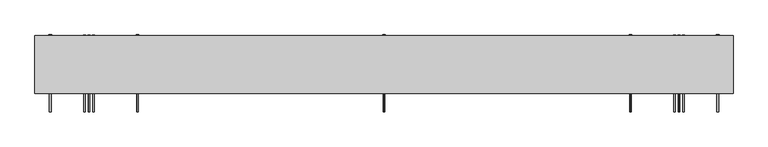
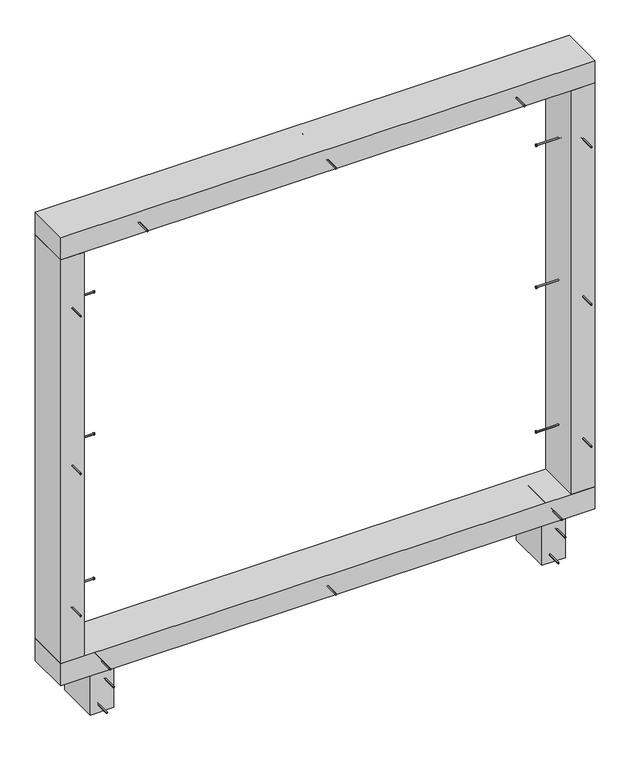
"""IFC4 building model written with IfcOpenShell, lengths in millimetres: proxy geometry."""

from ifc_helpers import new_model, si_unit, point, frame, frame_2d, origin, origin_with_axes, place, context, project, spatial, polyline, circle_curve, trimmed, segment, composite_curve, outline, extrude, source, transform, mapped, element, save


def generic_models_4a319dfe(model_context):
    return source(origin(), model_context, "Body", "SweptSolid", [
        extrude(outline(composite_curve([segment(trimmed(circle_curve(frame_2d((-120.0, -707.5)), 2.4700592), [point((-120.0, -705.0299408))], [point((-120.0, -709.9700592))], False, "CARTESIAN"), True, "CONTINUOUS"), segment(trimmed(circle_curve(frame_2d((-120.0, -707.5)), 2.4700592), [point((-120.0, -709.9700592))], [point((-120.0, -705.0299408))], False, "CARTESIAN"), True, "CONTINUOUS")], self_intersect=False)), frame((0.0, -92.0, 0.0), z_axis=(0.0, 1.0, 0.0), x_axis=(0.0, 0.0, 1.0)), (0.0, 0.0, 1.0), 212.0),
        extrude(outline(composite_curve([segment(trimmed(circle_curve(frame_2d((-120.0, -707.5)), 3.8), [point((-120.0, -703.7))], [point((-120.0, -711.3))], False, "CARTESIAN"), True, "CONTINUOUS"), segment(trimmed(circle_curve(frame_2d((-120.0, -707.5)), 3.8), [point((-120.0, -711.3))], [point((-120.0, -703.7))], False, "CARTESIAN"), True, "CONTINUOUS")], self_intersect=False)), frame((0.0, 120.0, 0.0), z_axis=(0.0, 1.0, 0.0), x_axis=(0.0, 0.0, 1.0)), (0.0, 0.0, 1.0), 3.0),
        extrude(outline(composite_curve([segment(trimmed(circle_curve(frame_2d((-30.0, -682.5)), 2.4700592), [point((-30.0, -680.0299408))], [point((-30.0, -684.9700592))], False, "CARTESIAN"), True, "CONTINUOUS"), segment(trimmed(circle_curve(frame_2d((-30.0, -682.5)), 2.4700592), [point((-30.0, -684.9700592))], [point((-30.0, -680.0299408))], False, "CARTESIAN"), True, "CONTINUOUS")], self_intersect=False)), frame((0.0, -92.0, 0.0), z_axis=(0.0, 1.0, 0.0), x_axis=(0.0, 0.0, 1.0)), (0.0, 0.0, 1.0), 212.0),
        extrude(outline(composite_curve([segment(trimmed(circle_curve(frame_2d((-30.0, -682.5)), 3.8), [point((-30.0, -678.7))], [point((-30.0, -686.3))], False, "CARTESIAN"), True, "CONTINUOUS"), segment(trimmed(circle_curve(frame_2d((-30.0, -682.5)), 3.8), [point((-30.0, -686.3))], [point((-30.0, -678.7))], False, "CARTESIAN"), True, "CONTINUOUS")], self_intersect=False)), frame((0.0, 120.0, 0.0), z_axis=(0.0, 1.0, 0.0), x_axis=(0.0, 0.0, 1.0)), (0.0, 0.0, 1.0), 3.0),
        extrude(outline(composite_curve([segment(trimmed(circle_curve(frame_2d((-120.0, 932.5)), 2.4700592), [point((-120.0, 934.9700592))], [point((-120.0, 930.0299408))], False, "CARTESIAN"), True, "CONTINUOUS"), segment(trimmed(circle_curve(frame_2d((-120.0, 932.5)), 2.4700592), [point((-120.0, 930.0299408))], [point((-120.0, 934.9700592))], False, "CARTESIAN"), True, "CONTINUOUS")], self_intersect=False)), frame((0.0, -92.0, 0.0), z_axis=(0.0, 1.0, 0.0), x_axis=(0.0, 0.0, 1.0)), (0.0, 0.0, 1.0), 212.0),
        extrude(outline(composite_curve([segment(trimmed(circle_curve(frame_2d((-120.0, 932.5)), 3.8), [point((-120.0, 936.3))], [point((-120.0, 928.7))], False, "CARTESIAN"), True, "CONTINUOUS"), segment(trimmed(circle_curve(frame_2d((-120.0, 932.5)), 3.8), [point((-120.0, 928.7))], [point((-120.0, 936.3))], False, "CARTESIAN"), True, "CONTINUOUS")], self_intersect=False)), frame((0.0, 120.0, 0.0), z_axis=(0.0, 1.0, 0.0), x_axis=(0.0, 0.0, 1.0)), (0.0, 0.0, 1.0), 3.0),
        extrude(outline(composite_curve([segment(trimmed(circle_curve(frame_2d((-30.0, 957.5)), 2.4700592), [point((-30.0, 959.9700592))], [point((-30.0, 955.0299408))], False, "CARTESIAN"), True, "CONTINUOUS"), segment(trimmed(circle_curve(frame_2d((-30.0, 957.5)), 2.4700592), [point((-30.0, 955.0299408))], [point((-30.0, 959.9700592))], False, "CARTESIAN"), True, "CONTINUOUS")], self_intersect=False)), frame((0.0, -92.0, 0.0), z_axis=(0.0, 1.0, 0.0), x_axis=(0.0, 0.0, 1.0)), (0.0, 0.0, 1.0), 212.0),
        extrude(outline(composite_curve([segment(trimmed(circle_curve(frame_2d((-30.0, 957.5)), 3.8), [point((-30.0, 961.3))], [point((-30.0, 953.7))], False, "CARTESIAN"), True, "CONTINUOUS"), segment(trimmed(circle_curve(frame_2d((-30.0, 957.5)), 3.8), [point((-30.0, 953.7))], [point((-30.0, 961.3))], False, "CARTESIAN"), True, "CONTINUOUS")], self_intersect=False)), frame((0.0, 120.0, 0.0), z_axis=(0.0, 1.0, 0.0), x_axis=(0.0, 0.0, 1.0)), (0.0, 0.0, 1.0), 3.0),
        extrude(outline(composite_curve([segment(trimmed(circle_curve(frame_2d((1677.5, 125.0)), 2.4700592), [point((1679.9700592, 125.0))], [point((1675.0299408, 125.0))], False, "CARTESIAN"), True, "CONTINUOUS"), segment(trimmed(circle_curve(frame_2d((1677.5, 125.0)), 2.4700592), [point((1675.0299408, 125.0))], [point((1679.9700592, 125.0))], False, "CARTESIAN"), True, "CONTINUOUS")], self_intersect=False)), frame((0.0, -92.0, 0.0), z_axis=(0.0, 1.0, 0.0), x_axis=(0.0, 0.0, 1.0)), (0.0, 0.0, 1.0), 212.0),
        extrude(outline(composite_curve([segment(trimmed(circle_curve(frame_2d((1677.5, 125.0)), 3.8), [point((1681.3, 125.0))], [point((1673.7, 125.0))], False, "CARTESIAN"), True, "CONTINUOUS"), segment(trimmed(circle_curve(frame_2d((1677.5, 125.0)), 3.8), [point((1673.7, 125.0))], [point((1681.3, 125.0))], False, "CARTESIAN"), True, "CONTINUOUS")], self_intersect=False)), frame((0.0, 120.0, 0.0), z_axis=(0.0, 1.0, 0.0), x_axis=(0.0, 0.0, 1.0)), (0.0, 0.0, 1.0), 3.0),
        extrude(outline(composite_curve([segment(trimmed(circle_curve(frame_2d((1677.5, 810.0)), 2.4700592), [point((1679.9700592, 810.0))], [point((1675.0299408, 810.0))], False, "CARTESIAN"), True, "CONTINUOUS"), segment(trimmed(circle_curve(frame_2d((1677.5, 810.0)), 2.4700592), [point((1675.0299408, 810.0))], [point((1679.9700592, 810.0))], False, "CARTESIAN"), True, "CONTINUOUS")], self_intersect=False)), frame((0.0, -92.0, 0.0), z_axis=(0.0, 1.0, 0.0), x_axis=(0.0, 0.0, 1.0)), (0.0, 0.0, 1.0), 212.0),
        extrude(outline(composite_curve([segment(trimmed(circle_curve(frame_2d((1677.5, 810.0)), 3.8), [point((1681.3, 810.0))], [point((1673.7, 810.0))], False, "CARTESIAN"), True, "CONTINUOUS"), segment(trimmed(circle_curve(frame_2d((1677.5, 810.0)), 3.8), [point((1673.7, 810.0))], [point((1681.3, 810.0))], False, "CARTESIAN"), True, "CONTINUOUS")], self_intersect=False)), frame((0.0, 120.0, 0.0), z_axis=(0.0, 1.0, 0.0), x_axis=(0.0, 0.0, 1.0)), (0.0, 0.0, 1.0), 3.0),
        extrude(outline(composite_curve([segment(trimmed(circle_curve(frame_2d((1677.5, -560.0)), 2.4700592), [point((1679.9700592, -560.0))], [point((1675.0299408, -560.0))], False, "CARTESIAN"), True, "CONTINUOUS"), segment(trimmed(circle_curve(frame_2d((1677.5, -560.0)), 2.4700592), [point((1675.0299408, -560.0))], [point((1679.9700592, -560.0))], False, "CARTESIAN"), True, "CONTINUOUS")], self_intersect=False)), frame((0.0, -92.0, 0.0), z_axis=(0.0, 1.0, 0.0), x_axis=(0.0, 0.0, 1.0)), (0.0, 0.0, 1.0), 212.0),
        extrude(outline(composite_curve([segment(trimmed(circle_curve(frame_2d((1677.5, -560.0)), 3.8), [point((1681.3, -560.0))], [point((1673.7, -560.0))], False, "CARTESIAN"), True, "CONTINUOUS"), segment(trimmed(circle_curve(frame_2d((1677.5, -560.0)), 3.8), [point((1673.7, -560.0))], [point((1681.3, -560.0))], False, "CARTESIAN"), True, "CONTINUOUS")], self_intersect=False)), frame((0.0, 120.0, 0.0), z_axis=(0.0, 1.0, 0.0), x_axis=(0.0, 0.0, 1.0)), (0.0, 0.0, 1.0), 3.0),
        extrude(outline(composite_curve([segment(trimmed(circle_curve(frame_2d((1677.5, -560.0)), 2.4700592), [point((1679.9700592, -560.0))], [point((1675.0299408, -560.0))], False, "CARTESIAN"), True, "CONTINUOUS"), segment(trimmed(circle_curve(frame_2d((1677.5, -560.0)), 2.4700592), [point((1675.0299408, -560.0))], [point((1679.9700592, -560.0))], False, "CARTESIAN"), True, "CONTINUOUS")], self_intersect=False)), frame((0.0, -92.0, 0.0), z_axis=(0.0, 1.0, 0.0), x_axis=(0.0, 0.0, 1.0)), (0.0, 0.0, 1.0), 212.0),
        extrude(outline(composite_curve([segment(trimmed(circle_curve(frame_2d((1677.5, -560.0)), 3.8), [point((1681.3, -560.0))], [point((1673.7, -560.0))], False, "CARTESIAN"), True, "CONTINUOUS"), segment(trimmed(circle_curve(frame_2d((1677.5, -560.0)), 3.8), [point((1673.7, -560.0))], [point((1681.3, -560.0))], False, "CARTESIAN"), True, "CONTINUOUS")], self_intersect=False)), frame((0.0, 120.0, 0.0), z_axis=(0.0, 1.0, 0.0), x_axis=(0.0, 0.0, 1.0)), (0.0, 0.0, 1.0), 3.0),
        extrude(outline(composite_curve([segment(trimmed(circle_curve(frame_2d((1677.5, 810.0)), 2.4700592), [point((1679.9700592, 810.0))], [point((1675.0299408, 810.0))], False, "CARTESIAN"), True, "CONTINUOUS"), segment(trimmed(circle_curve(frame_2d((1677.5, 810.0)), 2.4700592), [point((1675.0299408, 810.0))], [point((1679.9700592, 810.0))], False, "CARTESIAN"), True, "CONTINUOUS")], self_intersect=False)), frame((0.0, -92.0, 0.0), z_axis=(0.0, 1.0, 0.0), x_axis=(0.0, 0.0, 1.0)), (0.0, 0.0, 1.0), 212.0),
        extrude(outline(composite_curve([segment(trimmed(circle_curve(frame_2d((1677.5, 810.0)), 3.8), [point((1681.3, 810.0))], [point((1673.7, 810.0))], False, "CARTESIAN"), True, "CONTINUOUS"), segment(trimmed(circle_curve(frame_2d((1677.5, 810.0)), 3.8), [point((1673.7, 810.0))], [point((1681.3, 810.0))], False, "CARTESIAN"), True, "CONTINUOUS")], self_intersect=False)), frame((0.0, 120.0, 0.0), z_axis=(0.0, 1.0, 0.0), x_axis=(0.0, 0.0, 1.0)), (0.0, 0.0, 1.0), 3.0),
        extrude(outline(polyline([(1095.0, -40.0), (-845.0, -40.0), (-845.0, 120.0), (1095.0, 120.0), (1095.0, -40.0)])), frame((0.0, 0.0, 1635.0), z_axis=(0.0, 0.0, 1.0), x_axis=(1.0, 0.0, 0.0)), (0.0, 0.0, 1.0), 85.0),
        extrude(outline(composite_curve([segment(trimmed(circle_curve(frame_2d((42.5, 125.0)), 2.4700592), [point((44.9700592, 125.0))], [point((40.0299408, 125.0))], False, "CARTESIAN"), True, "CONTINUOUS"), segment(trimmed(circle_curve(frame_2d((42.5, 125.0)), 2.4700592), [point((40.0299408, 125.0))], [point((44.9700592, 125.0))], False, "CARTESIAN"), True, "CONTINUOUS")], self_intersect=False)), frame((0.0, -92.0, 0.0), z_axis=(0.0, 1.0, 0.0), x_axis=(0.0, 0.0, 1.0)), (0.0, 0.0, 1.0), 212.0),
        extrude(outline(composite_curve([segment(trimmed(circle_curve(frame_2d((42.5, 125.0)), 3.8), [point((46.3, 125.0))], [point((38.7, 125.0))], False, "CARTESIAN"), True, "CONTINUOUS"), segment(trimmed(circle_curve(frame_2d((42.5, 125.0)), 3.8), [point((38.7, 125.0))], [point((46.3, 125.0))], False, "CARTESIAN"), True, "CONTINUOUS")], self_intersect=False)), frame((0.0, 120.0, 0.0), z_axis=(0.0, 1.0, 0.0), x_axis=(0.0, 0.0, 1.0)), (0.0, 0.0, 1.0), 3.0),
        extrude(outline(composite_curve([segment(trimmed(circle_curve(frame_2d((42.5, 945.0)), 2.4700592), [point((44.9700592, 945.0))], [point((40.0299408, 945.0))], False, "CARTESIAN"), True, "CONTINUOUS"), segment(trimmed(circle_curve(frame_2d((42.5, 945.0)), 2.4700592), [point((40.0299408, 945.0))], [point((44.9700592, 945.0))], False, "CARTESIAN"), True, "CONTINUOUS")], self_intersect=False)), frame((0.0, -92.0, 0.0), z_axis=(0.0, 1.0, 0.0), x_axis=(0.0, 0.0, 1.0)), (0.0, 0.0, 1.0), 212.0),
        extrude(outline(composite_curve([segment(trimmed(circle_curve(frame_2d((42.5, 945.0)), 3.8), [point((46.3, 945.0))], [point((38.7, 945.0))], False, "CARTESIAN"), True, "CONTINUOUS"), segment(trimmed(circle_curve(frame_2d((42.5, 945.0)), 3.8), [point((38.7, 945.0))], [point((46.3, 945.0))], False, "CARTESIAN"), True, "CONTINUOUS")], self_intersect=False)), frame((0.0, 120.0, 0.0), z_axis=(0.0, 1.0, 0.0), x_axis=(0.0, 0.0, 1.0)), (0.0, 0.0, 1.0), 3.0),
        extrude(outline(composite_curve([segment(trimmed(circle_curve(frame_2d((42.5, -695.0)), 2.4700592), [point((44.9700592, -695.0))], [point((40.0299408, -695.0))], False, "CARTESIAN"), True, "CONTINUOUS"), segment(trimmed(circle_curve(frame_2d((42.5, -695.0)), 2.4700592), [point((40.0299408, -695.0))], [point((44.9700592, -695.0))], False, "CARTESIAN"), True, "CONTINUOUS")], self_intersect=False)), frame((0.0, -92.0, 0.0), z_axis=(0.0, 1.0, 0.0), x_axis=(0.0, 0.0, 1.0)), (0.0, 0.0, 1.0), 212.0),
        extrude(outline(composite_curve([segment(trimmed(circle_curve(frame_2d((42.5, -695.0)), 3.8), [point((46.3, -695.0))], [point((38.7, -695.0))], False, "CARTESIAN"), True, "CONTINUOUS"), segment(trimmed(circle_curve(frame_2d((42.5, -695.0)), 3.8), [point((38.7, -695.0))], [point((46.3, -695.0))], False, "CARTESIAN"), True, "CONTINUOUS")], self_intersect=False)), frame((0.0, 120.0, 0.0), z_axis=(0.0, 1.0, 0.0), x_axis=(0.0, 0.0, 1.0)), (0.0, 0.0, 1.0), 3.0),
        extrude(outline(composite_curve([segment(trimmed(circle_curve(frame_2d((42.5, -695.0)), 2.4700592), [point((44.9700592, -695.0))], [point((40.0299408, -695.0))], False, "CARTESIAN"), True, "CONTINUOUS"), segment(trimmed(circle_curve(frame_2d((42.5, -695.0)), 2.4700592), [point((40.0299408, -695.0))], [point((44.9700592, -695.0))], False, "CARTESIAN"), True, "CONTINUOUS")], self_intersect=False)), frame((0.0, -92.0, 0.0), z_axis=(0.0, 1.0, 0.0), x_axis=(0.0, 0.0, 1.0)), (0.0, 0.0, 1.0), 212.0),
        extrude(outline(composite_curve([segment(trimmed(circle_curve(frame_2d((42.5, -695.0)), 3.8), [point((46.3, -695.0))], [point((38.7, -695.0))], False, "CARTESIAN"), True, "CONTINUOUS"), segment(trimmed(circle_curve(frame_2d((42.5, -695.0)), 3.8), [point((38.7, -695.0))], [point((46.3, -695.0))], False, "CARTESIAN"), True, "CONTINUOUS")], self_intersect=False)), frame((0.0, 120.0, 0.0), z_axis=(0.0, 1.0, 0.0), x_axis=(0.0, 0.0, 1.0)), (0.0, 0.0, 1.0), 3.0),
        extrude(outline(composite_curve([segment(trimmed(circle_curve(frame_2d((42.5, 945.0)), 2.4700592), [point((44.9700592, 945.0))], [point((40.0299408, 945.0))], False, "CARTESIAN"), True, "CONTINUOUS"), segment(trimmed(circle_curve(frame_2d((42.5, 945.0)), 2.4700592), [point((40.0299408, 945.0))], [point((44.9700592, 945.0))], False, "CARTESIAN"), True, "CONTINUOUS")], self_intersect=False)), frame((0.0, -92.0, 0.0), z_axis=(0.0, 1.0, 0.0), x_axis=(0.0, 0.0, 1.0)), (0.0, 0.0, 1.0), 212.0),
        extrude(outline(composite_curve([segment(trimmed(circle_curve(frame_2d((42.5, 945.0)), 3.8), [point((46.3, 945.0))], [point((38.7, 945.0))], False, "CARTESIAN"), True, "CONTINUOUS"), segment(trimmed(circle_curve(frame_2d((42.5, 945.0)), 3.8), [point((38.7, 945.0))], [point((46.3, 945.0))], False, "CARTESIAN"), True, "CONTINUOUS")], self_intersect=False)), frame((0.0, 120.0, 0.0), z_axis=(0.0, 1.0, 0.0), x_axis=(0.0, 0.0, 1.0)), (0.0, 0.0, 1.0), 3.0),
        extrude(outline(polyline([(1095.0, -40.0), (-845.0, -40.0), (-845.0, 120.0), (1095.0, 120.0), (1095.0, -40.0)])), origin_with_axes(), (0.0, 0.0, 1.0), 85.0),
        extrude(outline(composite_curve([segment(trimmed(circle_curve(frame_2d((40.0, 305.0)), 2.4700592), [point((37.5299408, 305.0))], [point((42.4700592, 305.0))], False, "CARTESIAN"), True, "CONTINUOUS"), segment(trimmed(circle_curve(frame_2d((40.0, 305.0)), 2.4700592), [point((42.4700592, 305.0))], [point((37.5299408, 305.0))], False, "CARTESIAN"), True, "CONTINUOUS")], self_intersect=False)), frame((-820.0, 0.0, 0.0), z_axis=(1.0, 0.0, 0.0), x_axis=(0.0, 1.0, 0.0)), (0.0, 0.0, 1.0), 140.0),
        extrude(outline(composite_curve([segment(trimmed(circle_curve(frame_2d((40.0, 305.0)), 3.8), [point((36.2, 305.0))], [point((43.8, 305.0))], False, "CARTESIAN"), True, "CONTINUOUS"), segment(trimmed(circle_curve(frame_2d((40.0, 305.0)), 3.8), [point((43.8, 305.0))], [point((36.2, 305.0))], False, "CARTESIAN"), True, "CONTINUOUS")], self_intersect=False)), frame((-680.0, 0.0, 0.0), z_axis=(1.0, 0.0, 0.0), x_axis=(0.0, 1.0, 0.0)), (0.0, 0.0, 1.0), 3.0),
        extrude(outline(composite_curve([segment(trimmed(circle_curve(frame_2d((40.0, 1405.0)), 2.4700592), [point((37.5299408, 1405.0))], [point((42.4700592, 1405.0))], False, "CARTESIAN"), True, "CONTINUOUS"), segment(trimmed(circle_curve(frame_2d((40.0, 1405.0)), 2.4700592), [point((42.4700592, 1405.0))], [point((37.5299408, 1405.0))], False, "CARTESIAN"), True, "CONTINUOUS")], self_intersect=False)), frame((-820.0, 0.0, 0.0), z_axis=(1.0, 0.0, 0.0), x_axis=(0.0, 1.0, 0.0)), (0.0, 0.0, 1.0), 140.0),
        extrude(outline(composite_curve([segment(trimmed(circle_curve(frame_2d((40.0, 1405.0)), 3.8), [point((36.2, 1405.0))], [point((43.8, 1405.0))], False, "CARTESIAN"), True, "CONTINUOUS"), segment(trimmed(circle_curve(frame_2d((40.0, 1405.0)), 3.8), [point((43.8, 1405.0))], [point((36.2, 1405.0))], False, "CARTESIAN"), True, "CONTINUOUS")], self_intersect=False)), frame((-680.0, 0.0, 0.0), z_axis=(1.0, 0.0, 0.0), x_axis=(0.0, 1.0, 0.0)), (0.0, 0.0, 1.0), 3.0),
        extrude(outline(composite_curve([segment(trimmed(circle_curve(frame_2d((830.0, -802.5)), 2.4700592), [point((830.0, -804.9700592))], [point((830.0, -800.0299408))], False, "CARTESIAN"), True, "CONTINUOUS"), segment(trimmed(circle_curve(frame_2d((830.0, -802.5)), 2.4700592), [point((830.0, -800.0299408))], [point((830.0, -804.9700592))], False, "CARTESIAN"), True, "CONTINUOUS")], self_intersect=False)), frame((0.0, -92.0, 0.0), z_axis=(0.0, 1.0, 0.0), x_axis=(0.0, 0.0, 1.0)), (0.0, 0.0, 1.0), 212.0),
        extrude(outline(composite_curve([segment(trimmed(circle_curve(frame_2d((830.0, -802.5)), 3.8), [point((830.0, -806.3))], [point((830.0, -798.7))], False, "CARTESIAN"), True, "CONTINUOUS"), segment(trimmed(circle_curve(frame_2d((830.0, -802.5)), 3.8), [point((830.0, -798.7))], [point((830.0, -806.3))], False, "CARTESIAN"), True, "CONTINUOUS")], self_intersect=False)), frame((0.0, 120.0, 0.0), z_axis=(0.0, 1.0, 0.0), x_axis=(0.0, 0.0, 1.0)), (0.0, 0.0, 1.0), 3.0),
        extrude(outline(composite_curve([segment(trimmed(circle_curve(frame_2d((40.0, 860.0)), 2.4700592), [point((37.5299408, 860.0))], [point((42.4700592, 860.0))], False, "CARTESIAN"), True, "CONTINUOUS"), segment(trimmed(circle_curve(frame_2d((40.0, 860.0)), 2.4700592), [point((42.4700592, 860.0))], [point((37.5299408, 860.0))], False, "CARTESIAN"), True, "CONTINUOUS")], self_intersect=False)), frame((-820.0, 0.0, 0.0), z_axis=(1.0, 0.0, 0.0), x_axis=(0.0, 1.0, 0.0)), (0.0, 0.0, 1.0), 140.0),
        extrude(outline(composite_curve([segment(trimmed(circle_curve(frame_2d((40.0, 860.0)), 3.8), [point((36.2, 860.0))], [point((43.8, 860.0))], False, "CARTESIAN"), True, "CONTINUOUS"), segment(trimmed(circle_curve(frame_2d((40.0, 860.0)), 3.8), [point((43.8, 860.0))], [point((36.2, 860.0))], False, "CARTESIAN"), True, "CONTINUOUS")], self_intersect=False)), frame((-680.0, 0.0, 0.0), z_axis=(1.0, 0.0, 0.0), x_axis=(0.0, 1.0, 0.0)), (0.0, 0.0, 1.0), 3.0),
        extrude(outline(composite_curve([segment(trimmed(circle_curve(frame_2d((1435.0, -802.5)), 2.4700592), [point((1435.0, -804.9700592))], [point((1435.0, -800.0299408))], False, "CARTESIAN"), True, "CONTINUOUS"), segment(trimmed(circle_curve(frame_2d((1435.0, -802.5)), 2.4700592), [point((1435.0, -800.0299408))], [point((1435.0, -804.9700592))], False, "CARTESIAN"), True, "CONTINUOUS")], self_intersect=False)), frame((0.0, -92.0, 0.0), z_axis=(0.0, 1.0, 0.0), x_axis=(0.0, 0.0, 1.0)), (0.0, 0.0, 1.0), 212.0),
        extrude(outline(composite_curve([segment(trimmed(circle_curve(frame_2d((1435.0, -802.5)), 3.8), [point((1435.0, -806.3))], [point((1435.0, -798.7))], False, "CARTESIAN"), True, "CONTINUOUS"), segment(trimmed(circle_curve(frame_2d((1435.0, -802.5)), 3.8), [point((1435.0, -798.7))], [point((1435.0, -806.3))], False, "CARTESIAN"), True, "CONTINUOUS")], self_intersect=False)), frame((0.0, 120.0, 0.0), z_axis=(0.0, 1.0, 0.0), x_axis=(0.0, 0.0, 1.0)), (0.0, 0.0, 1.0), 3.0),
        extrude(outline(composite_curve([segment(trimmed(circle_curve(frame_2d((285.0, -802.5)), 2.4700592), [point((285.0, -804.9700592))], [point((285.0, -800.0299408))], False, "CARTESIAN"), True, "CONTINUOUS"), segment(trimmed(circle_curve(frame_2d((285.0, -802.5)), 2.4700592), [point((285.0, -800.0299408))], [point((285.0, -804.9700592))], False, "CARTESIAN"), True, "CONTINUOUS")], self_intersect=False)), frame((0.0, -92.0, 0.0), z_axis=(0.0, 1.0, 0.0), x_axis=(0.0, 0.0, 1.0)), (0.0, 0.0, 1.0), 212.0),
        extrude(outline(composite_curve([segment(trimmed(circle_curve(frame_2d((285.0, -802.5)), 3.8), [point((285.0, -806.3))], [point((285.0, -798.7))], False, "CARTESIAN"), True, "CONTINUOUS"), segment(trimmed(circle_curve(frame_2d((285.0, -802.5)), 3.8), [point((285.0, -798.7))], [point((285.0, -806.3))], False, "CARTESIAN"), True, "CONTINUOUS")], self_intersect=False)), frame((0.0, 120.0, 0.0), z_axis=(0.0, 1.0, 0.0), x_axis=(0.0, 0.0, 1.0)), (0.0, 0.0, 1.0), 3.0),
        extrude(outline(polyline([(-845.0, -40.0), (-845.0, 120.0), (-760.0, 120.0), (-760.0, -40.0), (-845.0, -40.0)])), frame((0.0, 0.0, 85.0), z_axis=(0.0, 0.0, 1.0), x_axis=(1.0, 0.0, 0.0)), (0.0, 0.0, 1.0), 1550.0),
        extrude(outline(composite_curve([segment(trimmed(circle_curve(frame_2d((40.0, 305.0)), 2.4700592), [point((37.5299408, 305.0))], [point((42.4700592, 305.0))], False, "CARTESIAN"), True, "CONTINUOUS"), segment(trimmed(circle_curve(frame_2d((40.0, 305.0)), 2.4700592), [point((42.4700592, 305.0))], [point((37.5299408, 305.0))], False, "CARTESIAN"), True, "CONTINUOUS")], self_intersect=False)), frame((930.0, 0.0, 0.0), z_axis=(1.0, 0.0, 0.0), x_axis=(0.0, 1.0, 0.0)), (0.0, 0.0, 1.0), 140.0),
        extrude(outline(composite_curve([segment(trimmed(circle_curve(frame_2d((40.0, 305.0)), 3.8), [point((36.2, 305.0))], [point((43.8, 305.0))], False, "CARTESIAN"), True, "CONTINUOUS"), segment(trimmed(circle_curve(frame_2d((40.0, 305.0)), 3.8), [point((43.8, 305.0))], [point((36.2, 305.0))], False, "CARTESIAN"), True, "CONTINUOUS")], self_intersect=False)), frame((927.0, 0.0, 0.0), z_axis=(1.0, 0.0, 0.0), x_axis=(0.0, 1.0, 0.0)), (0.0, 0.0, 1.0), 3.0),
        extrude(outline(composite_curve([segment(trimmed(circle_curve(frame_2d((40.0, 1405.0)), 2.4700592), [point((37.5299408, 1405.0))], [point((42.4700592, 1405.0))], False, "CARTESIAN"), True, "CONTINUOUS"), segment(trimmed(circle_curve(frame_2d((40.0, 1405.0)), 2.4700592), [point((42.4700592, 1405.0))], [point((37.5299408, 1405.0))], False, "CARTESIAN"), True, "CONTINUOUS")], self_intersect=False)), frame((930.0, 0.0, 0.0), z_axis=(1.0, 0.0, 0.0), x_axis=(0.0, 1.0, 0.0)), (0.0, 0.0, 1.0), 140.0),
        extrude(outline(composite_curve([segment(trimmed(circle_curve(frame_2d((40.0, 1405.0)), 3.8), [point((36.2, 1405.0))], [point((43.8, 1405.0))], False, "CARTESIAN"), True, "CONTINUOUS"), segment(trimmed(circle_curve(frame_2d((40.0, 1405.0)), 3.8), [point((43.8, 1405.0))], [point((36.2, 1405.0))], False, "CARTESIAN"), True, "CONTINUOUS")], self_intersect=False)), frame((927.0, 0.0, 0.0), z_axis=(1.0, 0.0, 0.0), x_axis=(0.0, 1.0, 0.0)), (0.0, 0.0, 1.0), 3.0),
        extrude(outline(composite_curve([segment(trimmed(circle_curve(frame_2d((830.0, 1052.5)), 2.4700592), [point((830.0, 1054.9700592))], [point((830.0, 1050.0299408))], False, "CARTESIAN"), True, "CONTINUOUS"), segment(trimmed(circle_curve(frame_2d((830.0, 1052.5)), 2.4700592), [point((830.0, 1050.0299408))], [point((830.0, 1054.9700592))], False, "CARTESIAN"), True, "CONTINUOUS")], self_intersect=False)), frame((0.0, -92.0, 0.0), z_axis=(0.0, 1.0, 0.0), x_axis=(0.0, 0.0, 1.0)), (0.0, 0.0, 1.0), 212.0),
        extrude(outline(composite_curve([segment(trimmed(circle_curve(frame_2d((830.0, 1052.5)), 3.8), [point((830.0, 1056.3))], [point((830.0, 1048.7))], False, "CARTESIAN"), True, "CONTINUOUS"), segment(trimmed(circle_curve(frame_2d((830.0, 1052.5)), 3.8), [point((830.0, 1048.7))], [point((830.0, 1056.3))], False, "CARTESIAN"), True, "CONTINUOUS")], self_intersect=False)), frame((0.0, 120.0, 0.0), z_axis=(0.0, 1.0, 0.0), x_axis=(0.0, 0.0, 1.0)), (0.0, 0.0, 1.0), 3.0),
        extrude(outline(composite_curve([segment(trimmed(circle_curve(frame_2d((40.0, 860.0)), 2.4700592), [point((37.5299408, 860.0))], [point((42.4700592, 860.0))], False, "CARTESIAN"), True, "CONTINUOUS"), segment(trimmed(circle_curve(frame_2d((40.0, 860.0)), 2.4700592), [point((42.4700592, 860.0))], [point((37.5299408, 860.0))], False, "CARTESIAN"), True, "CONTINUOUS")], self_intersect=False)), frame((930.0, 0.0, 0.0), z_axis=(1.0, 0.0, 0.0), x_axis=(0.0, 1.0, 0.0)), (0.0, 0.0, 1.0), 140.0),
        extrude(outline(composite_curve([segment(trimmed(circle_curve(frame_2d((40.0, 860.0)), 3.8), [point((36.2, 860.0))], [point((43.8, 860.0))], False, "CARTESIAN"), True, "CONTINUOUS"), segment(trimmed(circle_curve(frame_2d((40.0, 860.0)), 3.8), [point((43.8, 860.0))], [point((36.2, 860.0))], False, "CARTESIAN"), True, "CONTINUOUS")], self_intersect=False)), frame((927.0, 0.0, 0.0), z_axis=(1.0, 0.0, 0.0), x_axis=(0.0, 1.0, 0.0)), (0.0, 0.0, 1.0), 3.0),
        extrude(outline(composite_curve([segment(trimmed(circle_curve(frame_2d((1435.0, 1052.5)), 2.4700592), [point((1435.0, 1054.9700592))], [point((1435.0, 1050.0299408))], False, "CARTESIAN"), True, "CONTINUOUS"), segment(trimmed(circle_curve(frame_2d((1435.0, 1052.5)), 2.4700592), [point((1435.0, 1050.0299408))], [point((1435.0, 1054.9700592))], False, "CARTESIAN"), True, "CONTINUOUS")], self_intersect=False)), frame((0.0, -92.0, 0.0), z_axis=(0.0, 1.0, 0.0), x_axis=(0.0, 0.0, 1.0)), (0.0, 0.0, 1.0), 212.0),
        extrude(outline(composite_curve([segment(trimmed(circle_curve(frame_2d((1435.0, 1052.5)), 3.8), [point((1435.0, 1056.3))], [point((1435.0, 1048.7))], False, "CARTESIAN"), True, "CONTINUOUS"), segment(trimmed(circle_curve(frame_2d((1435.0, 1052.5)), 3.8), [point((1435.0, 1048.7))], [point((1435.0, 1056.3))], False, "CARTESIAN"), True, "CONTINUOUS")], self_intersect=False)), frame((0.0, 120.0, 0.0), z_axis=(0.0, 1.0, 0.0), x_axis=(0.0, 0.0, 1.0)), (0.0, 0.0, 1.0), 3.0),
        extrude(outline(composite_curve([segment(trimmed(circle_curve(frame_2d((285.0, 1052.5)), 2.4700592), [point((285.0, 1054.9700592))], [point((285.0, 1050.0299408))], False, "CARTESIAN"), True, "CONTINUOUS"), segment(trimmed(circle_curve(frame_2d((285.0, 1052.5)), 2.4700592), [point((285.0, 1050.0299408))], [point((285.0, 1054.9700592))], False, "CARTESIAN"), True, "CONTINUOUS")], self_intersect=False)), frame((0.0, -92.0, 0.0), z_axis=(0.0, 1.0, 0.0), x_axis=(0.0, 0.0, 1.0)), (0.0, 0.0, 1.0), 212.0),
        extrude(outline(composite_curve([segment(trimmed(circle_curve(frame_2d((285.0, 1052.5)), 3.8), [point((285.0, 1056.3))], [point((285.0, 1048.7))], False, "CARTESIAN"), True, "CONTINUOUS"), segment(trimmed(circle_curve(frame_2d((285.0, 1052.5)), 3.8), [point((285.0, 1048.7))], [point((285.0, 1056.3))], False, "CARTESIAN"), True, "CONTINUOUS")], self_intersect=False)), frame((0.0, 120.0, 0.0), z_axis=(0.0, 1.0, 0.0), x_axis=(0.0, 0.0, 1.0)), (0.0, 0.0, 1.0), 3.0),
        extrude(outline(polyline([(1095.0, -40.0), (1010.0, -40.0), (1010.0, 120.0), (1095.0, 120.0), (1095.0, -40.0)])), frame((0.0, 0.0, 85.0), z_axis=(0.0, 0.0, 1.0), x_axis=(1.0, 0.0, 0.0)), (0.0, 0.0, 1.0), 1550.0),
        extrude(outline(polyline([(902.5, 120.0), (987.5, 120.0), (987.5, -40.0), (902.5, -40.0), (902.5, 120.0)])), frame((0.0, 0.0, -150.0), z_axis=(0.0, 0.0, 1.0), x_axis=(1.0, 0.0, 0.0)), (0.0, 0.0, 1.0), 150.0),
        extrude(outline(polyline([(-737.5, 120.0), (-652.5, 120.0), (-652.5, -40.0), (-737.5, -40.0), (-737.5, 120.0)])), frame((0.0, 0.0, -150.0), z_axis=(0.0, 0.0, 1.0), x_axis=(1.0, 0.0, 0.0)), (0.0, 0.0, 1.0), 150.0),
    ])


if __name__ == "__main__":
    model = new_model("IFC4")
    model_context = context("Model", 3, world=origin())
    ifc_project = project(units=[si_unit("LENGTHUNIT", "METRE", prefix="MILLI")], contexts=[model_context])
    site = spatial("IfcSite", under=ifc_project)
    building = spatial("IfcBuilding", under=site)
    placement = place(None, origin())
    generic_models_shape = generic_models_4a319dfe(model_context)
    element("IfcBuildingElementProxy", 1, Name="Generic Models", at=placement, inside=building, context=model_context, shape_type="MappedRepresentation", body=[
        mapped(generic_models_shape, transform((0.0, 0.0, 0.0), x_axis=(1.0, 0.0, 0.0), y_axis=(0.0, 1.0, 0.0), z_axis=(0.0, 0.0, 1.0))),
    ])
    save(model, "model.ifc")
